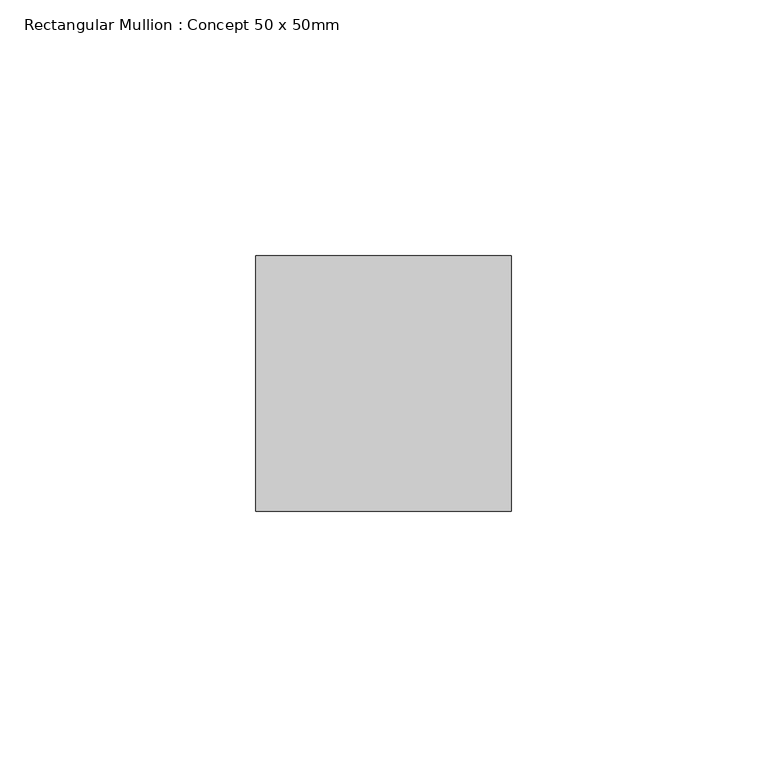
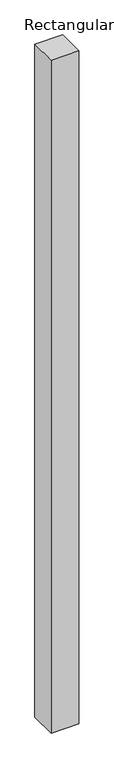
"""IFC4 building model written with IfcOpenShell, lengths in millimetres: member geometry, Rectangular Mullion : Concept 50 x 50mm."""

from ifc_helpers import new_model, si_unit, frame, origin, place, context, project, spatial, polyline, outline, extrude, source, transform, mapped, element, save


def rectangular_mullion_concept_50_x_50mm_d3216087(model_context):
    return source(origin(), model_context, "Body", "SweptSolid", [
        extrude(outline(polyline([(0.0, 50.0), (0.0, 0.0), (-50.0, 0.0), (-50.0, 50.0), (0.0, 50.0)])), frame((0.0, 0.0, -1275.0), z_axis=(0.0, 0.0, 1.0), x_axis=(1.0, 0.0, 0.0)), (0.0, 0.0, 1.0), 1275.0),
    ])


if __name__ == "__main__":
    model = new_model("IFC4")
    model_context = context("Model", 3, world=origin())
    ifc_project = project(units=[si_unit("LENGTHUNIT", "METRE", prefix="MILLI")], contexts=[model_context])
    site = spatial("IfcSite", under=ifc_project)
    building = spatial("IfcBuilding", under=site)
    placement = place(None, origin())
    rectangular_mullion_concept_50_x_50mm_shape = rectangular_mullion_concept_50_x_50mm_d3216087(model_context)
    element("IfcMember", 1, ObjectType="Rectangular Mullion : Concept 50 x 50mm", at=placement, inside=building, context=model_context, shape_type="MappedRepresentation", body=[
        mapped(rectangular_mullion_concept_50_x_50mm_shape, transform((0.0, 0.0, 0.0), x_axis=(1.0, 0.0, 0.0), y_axis=(0.0, 1.0, 0.0), z_axis=(0.0, 0.0, 1.0))),
    ])
    save(model, "model.ifc")
